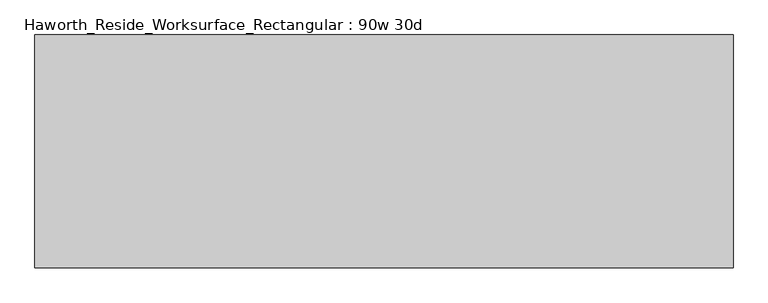
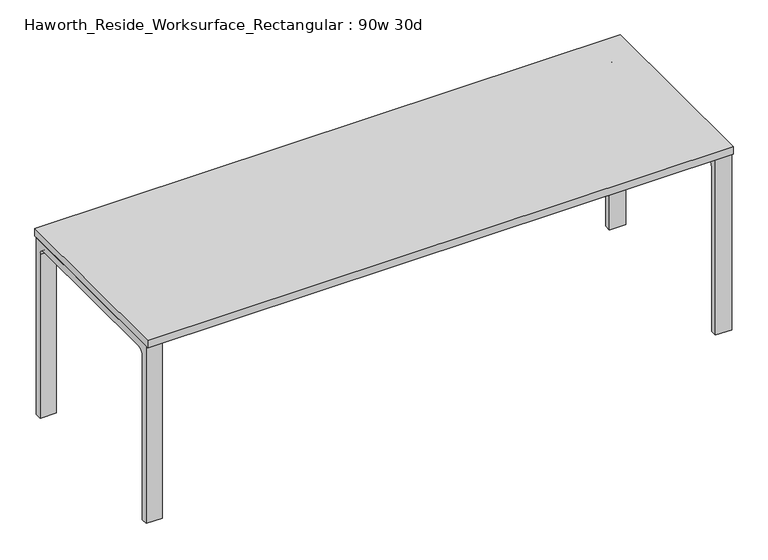
"""IFC4 building model written with IfcOpenShell, lengths in millimetres: furniture geometry, Haworth_Reside_Worksurface_Rectangular : 90w 30d."""

from ifc_helpers import new_model, si_unit, point, frame, frame_2d, origin, place, context, project, spatial, polyline, circle_curve, trimmed, segment, composite_curve, outline, extrude, source, transform, mapped, element, save


def haworth_reside_worksurface_rectangular_90w_30d_5808878e(model_context):
    return source(origin(), model_context, "Body", "SweptSolid", [
        extrude(outline(composite_curve([segment(trimmed(circle_curve(frame_2d((320.675, 676.275)), 25.4), [point((346.075, 676.275))], [point((320.675, 701.675))], True, "CARTESIAN"), True, "CONTINUOUS"), segment(polyline([(320.675, 701.675), (-320.675, 701.675)]), True, "CONTINUOUS"), segment(trimmed(circle_curve(frame_2d((-320.675, 676.275)), 25.4), [point((-320.675, 701.675))], [point((-346.075, 676.275))], True, "CARTESIAN"), True, "CONTINUOUS"), segment(polyline([(-346.075, 676.275), (-346.075, 0.0), (-371.475, 0.0), (-371.475, 731.8375), (371.475, 731.8375), (371.475, 0.0), (346.075, 0.0), (346.075, 676.275)]), True, "CONTINUOUS")], self_intersect=False)), frame((1079.5, 0.0, 0.0), z_axis=(1.0, 0.0, 0.0), x_axis=(0.0, 1.0, 0.0)), (0.0, 0.0, 1.0), 63.5),
        extrude(outline(composite_curve([segment(trimmed(circle_curve(frame_2d((320.675, 676.275)), 25.4), [point((346.075, 676.275))], [point((320.675, 701.675))], True, "CARTESIAN"), True, "CONTINUOUS"), segment(polyline([(320.675, 701.675), (-320.675, 701.675)]), True, "CONTINUOUS"), segment(trimmed(circle_curve(frame_2d((-320.675, 676.275)), 25.4), [point((-320.675, 701.675))], [point((-346.075, 676.275))], True, "CARTESIAN"), True, "CONTINUOUS"), segment(polyline([(-346.075, 676.275), (-346.075, 0.0), (-371.475, 0.0), (-371.475, 731.8375), (371.475, 731.8375), (371.475, 0.0), (346.075, 0.0), (346.075, 676.275)]), True, "CONTINUOUS")], self_intersect=False)), frame((-1143.0, 0.0, 0.0), z_axis=(1.0, 0.0, 0.0), x_axis=(0.0, 1.0, 0.0)), (0.0, 0.0, 1.0), 63.5),
        extrude(outline(polyline([(1143.0, 381.0), (1143.0, -381.0), (-1143.0, -381.0), (-1143.0, 381.0), (1143.0, 381.0)])), frame((0.0, 0.0, 731.8375), z_axis=(0.0, 0.0, 1.0), x_axis=(1.0, 0.0, 0.0)), (0.0, 0.0, 1.0), 30.1625),
    ])


if __name__ == "__main__":
    model = new_model("IFC4")
    model_context = context("Model", 3, world=origin())
    ifc_project = project(units=[si_unit("LENGTHUNIT", "METRE", prefix="MILLI")], contexts=[model_context])
    site = spatial("IfcSite", under=ifc_project)
    building = spatial("IfcBuilding", under=site)
    placement = place(None, origin())
    haworth_reside_worksurface_rectangular_90w_30d_shape = haworth_reside_worksurface_rectangular_90w_30d_5808878e(model_context)
    element("IfcFurniture", 1, ObjectType="Haworth_Reside_Worksurface_Rectangular : 90w 30d", at=placement, inside=building, context=model_context, shape_type="MappedRepresentation", body=[
        mapped(haworth_reside_worksurface_rectangular_90w_30d_shape, transform((0.0, 0.0, 0.0), x_axis=(1.0, 0.0, 0.0), y_axis=(0.0, 1.0, 0.0), z_axis=(0.0, 0.0, 1.0))),
    ])
    save(model, "model.ifc")
